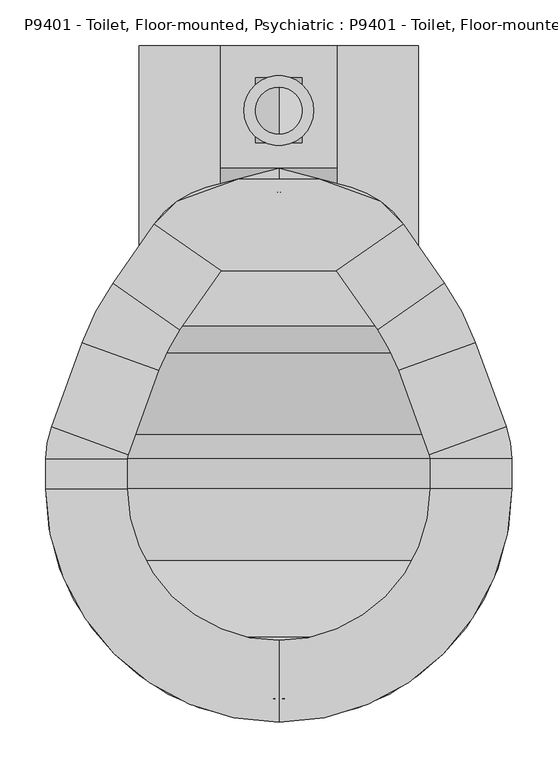
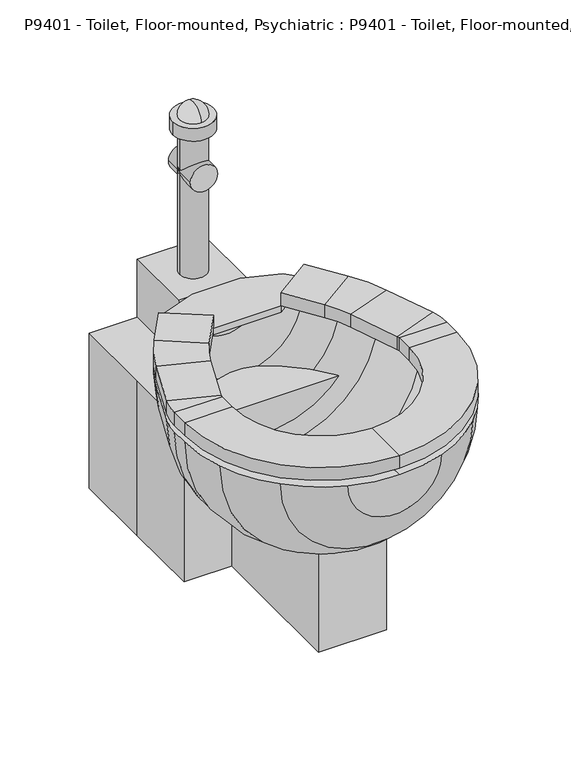
"""IFC4 building model written with IfcOpenShell, lengths in millimetres: proxy geometry, P9401 - Toilet, Floor-mounted, Psychiatric : P9401 - Toilet, Floor-mounted, Psychiatric."""

from ifc_helpers import new_model, si_unit, point, frame, frame_2d, origin, origin_with_axes, place, context, project, spatial, polyline, circle_curve, ellipse_curve, trimmed, segment, composite_curve, outline, extrude, source, transform, mapped, element, save
from ifc_brep_helpers import plane_surface, cylinder_surface, revolved_surface, advanced_brep


def p9401_toilet_floor_mounted_psychiatric_p9401_toilet_floor_37275636(model_context):
    return source(origin(), model_context, "Body", "SolidModel", [
        extrude(outline(polyline([(-152.4, 152.4), (152.4, 152.4), (152.4, -152.4), (-152.4, -152.4), (-152.4, 0.0), (-152.4, 152.4)])), origin_with_axes(), (0.0, 0.0, 1.0), 304.8),
        advanced_brep(
        [(-86.8731164, -568.8819257, 419.1), (0.0, -584.2, 419.1), (0.0, -558.8, 419.1), (-78.1858048, -545.0137331, 419.1), (-161.6446102, -491.8446102, 419.1), (-214.8137331, -408.3858048, 419.1), (-228.6, -330.2, 419.1), (-228.6, -297.3148212, 419.1), (-224.0045777, -271.2528863, 419.1), (-191.7324129, -182.5858422, 419.1), (-158.0533758, -117.8890139, 419.1), (-120.1697426, -63.7855786, 419.1), (-63.2399099, -23.9228806, 419.1), (0.0, -6.9777978, 419.1), (0.0, 19.3182171, 419.1), (-78.7437471, -1.7811063, 419.1), (-135.6735798, -41.6438043, 419.1), (-180.7778621, -106.0593951, 419.1), (-214.4568992, -170.7562234, 419.1), (-247.8727703, -262.5655747, 419.1), (-254.0, -297.3148212, 419.1), (-254.0, -330.2, 419.1), (-238.6819257, -417.0731164, 419.1), (-179.6051224, -509.8051224, 419.1), (86.8731164, -568.8819257, 419.1), (179.6051224, -509.8051224, 419.1), (238.6819257, -417.0731164, 419.1), (254.0, -330.2, 419.1), (254.0, -297.3148212, 419.1), (247.8727703, -262.5655747, 419.1), (214.4568992, -170.7562234, 419.1), (180.7778621, -106.0593951, 419.1), (135.6735798, -41.6438043, 419.1), (78.7437471, -1.7811063, 419.1), (63.2399099, -23.9228806, 419.1), (120.1697426, -63.7855786, 419.1), (158.0533758, -117.8890139, 419.1), (191.7324129, -182.5858422, 419.1), (224.0045777, -271.2528863, 419.1), (228.6, -297.3148212, 419.1), (228.6, -330.2, 419.1), (214.8137331, -408.3858048, 419.1), (161.6446102, -491.8446102, 419.1), (78.1858048, -545.0137331, 419.1)],
        [
            (0, 1, circle_curve(frame((0.0, -330.2, 419.1), z_axis=(0.0, 0.0, 1.0), x_axis=(0.0, -1.0, 0.0)), 254.0)),
            (1, 2),
            (2, 3, circle_curve(frame((0.0, -330.2, 419.1), z_axis=(0.0, 0.0, -1.0), x_axis=(0.0, -1.0, 0.0)), 228.6)),
            (3, 4, circle_curve(frame((0.0, -330.2, 419.1), z_axis=(0.0, 0.0, -1.0), x_axis=(0.0, -1.0, 0.0)), 228.6)),
            (4, 5, circle_curve(frame((0.0, -330.2, 419.1), z_axis=(0.0, 0.0, -1.0), x_axis=(0.0, -1.0, 0.0)), 228.6)),
            (5, 6, circle_curve(frame((0.0, -330.2, 419.1), z_axis=(0.0, 0.0, -1.0), x_axis=(0.0, -1.0, 0.0)), 228.6)),
            (6, 7),
            (7, 8, circle_curve(frame((-152.4, -297.3148212, 419.1), z_axis=(0.0, 0.0, -1.0), x_axis=(0.0, -1.0, 0.0)), 76.2)),
            (8, 9),
            (9, 10, circle_curve(frame((70.8177054, -278.1462703, 419.1), z_axis=(0.0, 0.0, -1.0), x_axis=(0.0, -1.0, 0.0)), 279.4)),
            (10, 11),
            (11, 12, circle_curve(frame((-36.9438949, -122.0609446, 419.1), z_axis=(0.0, 0.0, -1.0), x_axis=(0.0, -1.0, 0.0)), 101.6)),
            (12, 13),
            (13, 14),
            (14, 15),
            (15, 16, circle_curve(frame((-52.4477321, -99.9191703, 419.1), z_axis=(0.0, 0.0, 1.0), x_axis=(0.0, -1.0, 0.0)), 101.6)),
            (16, 17),
            (17, 18, circle_curve(frame((48.0932191, -266.3166514, 419.1), z_axis=(0.0, 0.0, 1.0), x_axis=(0.0, -1.0, 0.0)), 279.4)),
            (18, 19),
            (19, 20, circle_curve(frame((-152.4, -297.3148212, 419.1), z_axis=(0.0, 0.0, 1.0), x_axis=(0.0, -1.0, 0.0)), 101.6)),
            (20, 21),
            (21, 22, circle_curve(frame((0.0, -330.2, 419.1), z_axis=(0.0, 0.0, 1.0), x_axis=(0.0, -1.0, 0.0)), 254.0)),
            (22, 23, circle_curve(frame((0.0, -330.2, 419.1), z_axis=(0.0, 0.0, 1.0), x_axis=(0.0, -1.0, 0.0)), 254.0)),
            (23, 0, circle_curve(frame((0.0, -330.2, 419.1), z_axis=(0.0, 0.0, 1.0), x_axis=(0.0, -1.0, 0.0)), 254.0)),
            (24, 25, circle_curve(frame((0.0, -330.2, 419.1), z_axis=(0.0, 0.0, 1.0), x_axis=(0.0, -1.0, 0.0)), 254.0)),
            (25, 26, circle_curve(frame((0.0, -330.2, 419.1), z_axis=(0.0, 0.0, 1.0), x_axis=(0.0, -1.0, 0.0)), 254.0)),
            (26, 27, circle_curve(frame((0.0, -330.2, 419.1), z_axis=(0.0, 0.0, 1.0), x_axis=(0.0, -1.0, 0.0)), 254.0)),
            (27, 28),
            (28, 29, circle_curve(frame((152.4, -297.3148212, 419.1), z_axis=(0.0, 0.0, 1.0), x_axis=(0.0, -1.0, 0.0)), 101.6)),
            (29, 30),
            (30, 31, circle_curve(frame((-48.0932191, -266.3166514, 419.1), z_axis=(0.0, 0.0, 1.0), x_axis=(0.0, -1.0, 0.0)), 279.4)),
            (31, 32),
            (32, 33, circle_curve(frame((52.4477321, -99.9191703, 419.1), z_axis=(0.0, 0.0, 1.0), x_axis=(0.0, -1.0, 0.0)), 101.6)),
            (33, 14),
            (13, 34),
            (34, 35, circle_curve(frame((36.9438949, -122.0609446, 419.1), z_axis=(0.0, 0.0, -1.0), x_axis=(0.0, -1.0, 0.0)), 101.6)),
            (35, 36),
            (36, 37, circle_curve(frame((-70.8177054, -278.1462703, 419.1), z_axis=(0.0, 0.0, -1.0), x_axis=(0.0, -1.0, 0.0)), 279.4)),
            (37, 38),
            (38, 39, circle_curve(frame((152.4, -297.3148212, 419.1), z_axis=(0.0, 0.0, -1.0), x_axis=(0.0, -1.0, 0.0)), 76.2)),
            (39, 40),
            (40, 41, circle_curve(frame((0.0, -330.2, 419.1), z_axis=(0.0, 0.0, -1.0), x_axis=(0.0, -1.0, 0.0)), 228.6)),
            (41, 42, circle_curve(frame((0.0, -330.2, 419.1), z_axis=(0.0, 0.0, -1.0), x_axis=(0.0, -1.0, 0.0)), 228.6)),
            (42, 43, circle_curve(frame((0.0, -330.2, 419.1), z_axis=(0.0, 0.0, -1.0), x_axis=(0.0, -1.0, 0.0)), 228.6)),
            (43, 2, circle_curve(frame((0.0, -330.2, 419.1), z_axis=(0.0, 0.0, -1.0), x_axis=(0.0, -1.0, 0.0)), 228.6)),
            (1, 24, circle_curve(frame((0.0, -330.2, 419.1), z_axis=(0.0, 0.0, 1.0), x_axis=(0.0, -1.0, 0.0)), 254.0)),
            (0, 24, circle_curve(frame((0.0, -568.8819257, 419.1), z_axis=(0.0, -1.0, 0.0), x_axis=(-1.0, 0.0, 0.0)), 86.8731164)),
            (43, 3, circle_curve(frame((0.0, -545.0137331, 419.1), z_axis=(0.0, 1.0, 0.0), x_axis=(-1.0, 0.0, 0.0)), 78.1858048)),
            (42, 4, circle_curve(frame((0.0, -491.8446102, 419.1), z_axis=(0.0, 1.0, 0.0), x_axis=(-1.0, 0.0, 0.0)), 161.6446102)),
            (41, 5, circle_curve(frame((0.0, -408.3858048, 419.1), z_axis=(0.0, 1.0, 0.0), x_axis=(-1.0, 0.0, 0.0)), 214.8137331)),
            (40, 6, circle_curve(frame((0.0, -330.2, 419.1), z_axis=(0.0, 1.0, 0.0), x_axis=(-1.0, 0.0, 0.0)), 228.6)),
            (39, 7, circle_curve(frame((0.0, -297.3148212, 419.1), z_axis=(0.0, 1.0, 0.0), x_axis=(-1.0, 0.0, 0.0)), 228.6)),
            (38, 8, circle_curve(frame((0.0, -271.2528863, 419.1), z_axis=(0.0, 1.0, 0.0), x_axis=(-1.0, 0.0, 0.0)), 224.0045777)),
            (37, 9, circle_curve(frame((0.0, -182.5858422, 419.1), z_axis=(0.0, 1.0, 0.0), x_axis=(-1.0, 0.0, 0.0)), 191.7324129)),
            (36, 10, circle_curve(frame((0.0, -117.8890139, 419.1), z_axis=(0.0, 1.0, 0.0), x_axis=(-1.0, 0.0, 0.0)), 158.0533758)),
            (35, 11, circle_curve(frame((0.0, -63.7855786, 419.1), z_axis=(0.0, 1.0, 0.0), x_axis=(-1.0, 0.0, 0.0)), 120.1697426)),
            (34, 12, circle_curve(frame((0.0, -23.9228806, 419.1), z_axis=(0.0, 1.0, 0.0), x_axis=(-1.0, 0.0, 0.0)), 63.2399099)),
            (33, 15, circle_curve(frame((0.0, -1.7811063, 419.1), z_axis=(0.0, 1.0, 0.0), x_axis=(-1.0, 0.0, 0.0)), 78.7437471)),
            (32, 16, circle_curve(frame((0.0, -41.6438043, 419.1), z_axis=(0.0, 1.0, 0.0), x_axis=(-1.0, 0.0, 0.0)), 135.6735798)),
            (31, 17, circle_curve(frame((0.0, -106.0593951, 419.1), z_axis=(0.0, 1.0, 0.0), x_axis=(-1.0, 0.0, 0.0)), 180.7778621)),
            (30, 18, circle_curve(frame((0.0, -170.7562234, 419.1), z_axis=(0.0, 1.0, 0.0), x_axis=(-1.0, 0.0, 0.0)), 214.4568992)),
            (29, 19, circle_curve(frame((0.0, -262.5655747, 419.1), z_axis=(0.0, 1.0, 0.0), x_axis=(-1.0, 0.0, 0.0)), 247.8727703)),
            (28, 20, circle_curve(frame((0.0, -297.3148212, 419.1), z_axis=(0.0, 1.0, 0.0), x_axis=(-1.0, 0.0, 0.0)), 254.0)),
            (27, 21, circle_curve(frame((0.0, -330.2, 419.1), z_axis=(0.0, 1.0, 0.0), x_axis=(-1.0, 0.0, 0.0)), 254.0)),
            (26, 22, circle_curve(frame((0.0, -417.0731164, 419.1), z_axis=(0.0, 1.0, 0.0), x_axis=(-1.0, 0.0, 0.0)), 238.6819257)),
            (25, 23, circle_curve(frame((0.0, -509.8051224, 419.1), z_axis=(0.0, 1.0, 0.0), x_axis=(-1.0, 0.0, 0.0)), 179.6051224)),
        ],
        [
            plane_surface(frame((0.0, -689.4102448, 419.1), z_axis=(0.0, 0.0, 1.0), x_axis=(-1.0, 0.0, 0.0))),
            plane_surface(frame((0.0, -689.4102448, 419.1), z_axis=(0.0, 0.0, 1.0), x_axis=(1.0, 0.0, 0.0))),
            revolved_surface(trimmed(ellipse_curve(frame((0.0, -330.2, 419.1), z_axis=(0.0, 0.0, 1.0), x_axis=(0.0, -1.0, 0.0)), 254.0, 254.0), [point((-86.8731164, -568.8819257, 419.1))], [point((0.0, -584.2, 419.1))], True, "CARTESIAN"), (0.0, -689.4102448, 419.1), (0.0, -1.0, 0.0)),
            revolved_surface(trimmed(ellipse_curve(frame((0.0, -330.2, 419.1), z_axis=(0.0, 0.0, -1.0), x_axis=(0.0, -1.0, 0.0)), 228.6, 228.6), [point((0.0, -558.8, 419.1))], [point((-78.1858048, -545.0137331, 419.1))], True, "CARTESIAN"), (0.0, -689.4102448, 419.1), (0.0, -1.0, 0.0)),
            revolved_surface(trimmed(ellipse_curve(frame((0.0, -330.2, 419.1), z_axis=(0.0, 0.0, -1.0), x_axis=(0.0, -1.0, 0.0)), 228.6, 228.6), [point((-78.1858048, -545.0137331, 419.1))], [point((-161.6446102, -491.8446102, 419.1))], True, "CARTESIAN"), (0.0, -689.4102448, 419.1), (0.0, -1.0, 0.0)),
            revolved_surface(trimmed(ellipse_curve(frame((0.0, -330.2, 419.1), z_axis=(0.0, 0.0, -1.0), x_axis=(0.0, -1.0, 0.0)), 228.6, 228.6), [point((-161.6446102, -491.8446102, 419.1))], [point((-214.8137331, -408.3858048, 419.1))], True, "CARTESIAN"), (0.0, -689.4102448, 419.1), (0.0, -1.0, 0.0)),
            revolved_surface(trimmed(ellipse_curve(frame((0.0, -330.2, 419.1), z_axis=(0.0, 0.0, -1.0), x_axis=(0.0, -1.0, 0.0)), 228.6, 228.6), [point((-214.8137331, -408.3858048, 419.1))], [point((-228.6, -330.2, 419.1))], True, "CARTESIAN"), (0.0, -689.4102448, 419.1), (0.0, -1.0, 0.0)),
            revolved_surface(polyline([(-228.6, -330.2, 419.1), (-228.6, -297.3148212, 419.1)]), (0.0, -689.4102448, 419.1), (0.0, -1.0, 0.0)),
            revolved_surface(trimmed(ellipse_curve(frame((-152.4, -297.3148212, 419.1), z_axis=(0.0, 0.0, -1.0), x_axis=(0.0, -1.0, 0.0)), 76.2, 76.2), [point((-228.6, -297.3148212, 419.1))], [point((-224.0045777, -271.2528863, 419.1))], True, "CARTESIAN"), (0.0, -689.4102448, 419.1), (0.0, -1.0, 0.0)),
            revolved_surface(polyline([(-224.0045777, -271.2528863, 419.1), (-191.7324129, -182.5858422, 419.1)]), (0.0, -689.4102448, 419.1), (0.0, -1.0, 0.0)),
            revolved_surface(trimmed(ellipse_curve(frame((70.8177054, -278.1462703, 419.1), z_axis=(0.0, 0.0, -1.0), x_axis=(0.0, -1.0, 0.0)), 279.4, 279.4), [point((-191.7324129, -182.5858422, 419.1))], [point((-158.0533758, -117.8890139, 419.1))], True, "CARTESIAN"), (0.0, -689.4102448, 419.1), (0.0, -1.0, 0.0)),
            revolved_surface(polyline([(-158.0533758, -117.8890139, 419.1), (-120.1697426, -63.7855786, 419.1)]), (0.0, -689.4102448, 419.1), (0.0, -1.0, 0.0)),
            revolved_surface(trimmed(ellipse_curve(frame((-36.9438949, -122.0609446, 419.1), z_axis=(0.0, 0.0, -1.0), x_axis=(0.0, -1.0, 0.0)), 101.6, 101.6), [point((-120.1697426, -63.7855786, 419.1))], [point((-63.2399099, -23.9228806, 419.1))], True, "CARTESIAN"), (0.0, -689.4102448, 419.1), (0.0, -1.0, 0.0)),
            revolved_surface(polyline([(-63.2399099, -23.9228806, 419.1), (0.0, -6.9777978, 419.1)]), (0.0, -689.4102448, 419.1), (0.0, -1.0, 0.0)),
            revolved_surface(polyline([(0.0, 19.3182171, 419.1), (-78.7437471, -1.7811063, 419.1)]), (0.0, -689.4102448, 419.1), (0.0, -1.0, 0.0)),
            revolved_surface(trimmed(ellipse_curve(frame((-52.4477321, -99.9191703, 419.1), z_axis=(0.0, 0.0, 1.0), x_axis=(0.0, -1.0, 0.0)), 101.6, 101.6), [point((-78.7437471, -1.7811063, 419.1))], [point((-135.6735798, -41.6438043, 419.1))], True, "CARTESIAN"), (0.0, -689.4102448, 419.1), (0.0, -1.0, 0.0)),
            revolved_surface(polyline([(-135.6735798, -41.6438043, 419.1), (-180.7778621, -106.0593951, 419.1)]), (0.0, -689.4102448, 419.1), (0.0, -1.0, 0.0)),
            revolved_surface(trimmed(ellipse_curve(frame((48.0932191, -266.3166514, 419.1), z_axis=(0.0, 0.0, 1.0), x_axis=(0.0, -1.0, 0.0)), 279.4, 279.4), [point((-180.7778621, -106.0593951, 419.1))], [point((-214.4568992, -170.7562234, 419.1))], True, "CARTESIAN"), (0.0, -689.4102448, 419.1), (0.0, -1.0, 0.0)),
            revolved_surface(polyline([(-214.4568992, -170.7562234, 419.1), (-247.8727703, -262.5655747, 419.1)]), (0.0, -689.4102448, 419.1), (0.0, -1.0, 0.0)),
            revolved_surface(trimmed(ellipse_curve(frame((-152.4, -297.3148212, 419.1), z_axis=(0.0, 0.0, 1.0), x_axis=(0.0, -1.0, 0.0)), 101.6, 101.6), [point((-247.8727703, -262.5655747, 419.1))], [point((-254.0, -297.3148212, 419.1))], True, "CARTESIAN"), (0.0, -689.4102448, 419.1), (0.0, -1.0, 0.0)),
            cylinder_surface(frame((0.0, -689.4102448, 419.1), z_axis=(0.0, -1.0, 0.0), x_axis=(-1.0, 0.0, 0.0)), 254.0),
            revolved_surface(trimmed(ellipse_curve(frame((0.0, -330.2, 419.1), z_axis=(0.0, 0.0, 1.0), x_axis=(0.0, -1.0, 0.0)), 254.0, 254.0), [point((-254.0, -330.2, 419.1))], [point((-238.6819257, -417.0731164, 419.1))], True, "CARTESIAN"), (0.0, -689.4102448, 419.1), (0.0, -1.0, 0.0)),
            revolved_surface(trimmed(ellipse_curve(frame((0.0, -330.2, 419.1), z_axis=(0.0, 0.0, 1.0), x_axis=(0.0, -1.0, 0.0)), 254.0, 254.0), [point((-238.6819257, -417.0731164, 419.1))], [point((-179.6051224, -509.8051224, 419.1))], True, "CARTESIAN"), (0.0, -689.4102448, 419.1), (0.0, -1.0, 0.0)),
            revolved_surface(trimmed(ellipse_curve(frame((0.0, -330.2, 419.1), z_axis=(0.0, 0.0, 1.0), x_axis=(0.0, -1.0, 0.0)), 254.0, 254.0), [point((-179.6051224, -509.8051224, 419.1))], [point((-86.8731164, -568.8819257, 419.1))], True, "CARTESIAN"), (0.0, -689.4102448, 419.1), (0.0, -1.0, 0.0)),
        ],
        [
            (0, [[1, 2, 3, 4, 5, 6, 7, 8, 9, 10, 11, 12, 13, 14, 15, 16, 17, 18, 19, 20, 21, 22, 23, 24]]),
            (1, [[25, 26, 27, 28, 29, 30, 31, 32, 33, 34, -14, 35, 36, 37, 38, 39, 40, 41, 42, 43, 44, 45, -2, 46]]),
            (2, [[-1, 47, -46]]),
            (3, [[48, -3, -45]]),
            (4, [[49, -4, -48, -44]]),
            (5, [[50, -5, -49, -43]]),
            (6, [[51, -6, -50, -42]]),
            (7, [[52, -7, -51, -41]]),
            (8, [[53, -8, -52, -40]]),
            (9, [[54, -9, -53, -39]]),
            (10, [[55, -10, -54, -38]]),
            (11, [[56, -11, -55, -37]]),
            (12, [[57, -12, -56, -36]]),
            (13, [[-13, -57, -35]]),
            (14, [[58, -15, -34]]),
            (15, [[59, -16, -58, -33]]),
            (16, [[60, -17, -59, -32]]),
            (17, [[61, -18, -60, -31]]),
            (18, [[62, -19, -61, -30]]),
            (19, [[63, -20, -62, -29]]),
            (20, [[64, -21, -63, -28]]),
            (21, [[65, -22, -64, -27]]),
            (22, [[66, -23, -65, -26]]),
            (23, [[-47, -24, -66, -25]]),
        ],
    ),
        extrude(outline(polyline([(-62.8509631, -92.6347495), (-135.6735798, -41.6438043), (-110.7230981, -16.6933226), (-44.6607552, 7.3514039), (44.6607552, 7.3514039), (110.7230981, -16.6933226), (135.6735798, -41.6438043), (62.8509631, -92.6347495), (-62.8509631, -92.6347495)])), frame((0.0, 0.0, 419.1), z_axis=(0.0, 0.0, 1.0), x_axis=(1.0, 0.0, 0.0)), (0.0, 0.0, 1.0), 12.7),
        advanced_brep(
        [(-62.8509631, -92.6347495, 431.8), (-135.6735798, -41.6438043, 431.8), (-135.6735798, -41.6438043, 457.2), (-62.8509631, -92.6347495, 457.2), (-107.9552454, -157.0503403, 431.8), (-180.7778621, -106.0593951, 431.8), (-180.7778621, -106.0593951, 457.2), (-107.9552454, -157.0503403, 457.2), (-214.4568992, -170.7562234, 431.8), (-130.9182252, -201.1618141, 431.8), (-214.4568992, -170.7562234, 457.2), (-130.9182252, -201.1618141, 457.2), (-164.3340963, -292.9711654, 431.8), (-247.8727703, -262.5655747, 431.8), (-247.8727703, -262.5655747, 457.2), (-164.3340963, -292.9711654, 457.2), (-254.0, -297.3148212, 431.8), (-165.1, -297.3148212, 431.8), (-254.0, -297.3148212, 457.2), (-165.1, -297.3148212, 457.2), (-165.1, -330.2, 431.8), (-254.0, -330.2, 431.8), (-254.0, -330.2, 457.2), (-165.1, -330.2, 457.2), (0.0, -584.2, 431.8), (0.0, -495.3, 431.8), (0.0, -584.2, 457.2), (0.0, -495.3, 457.2), (254.0, -330.2, 431.8), (165.1, -330.2, 431.8), (254.0, -330.2, 457.2), (165.1, -330.2, 457.2), (165.1, -297.3148212, 431.8), (254.0, -297.3148212, 431.8), (254.0, -297.3148212, 457.2), (165.1, -297.3148212, 457.2), (247.8727703, -262.5655747, 431.8), (164.3340963, -292.9711654, 431.8), (247.8727703, -262.5655747, 457.2), (164.3340963, -292.9711654, 457.2), (130.9182252, -201.1618141, 431.8), (214.4568992, -170.7562234, 431.8), (214.4568992, -170.7562234, 457.2), (130.9182252, -201.1618141, 457.2), (180.7778621, -106.0593951, 431.8), (107.9552454, -157.0503403, 431.8), (180.7778621, -106.0593951, 457.2), (107.9552454, -157.0503403, 457.2), (62.8509631, -92.6347495, 431.8), (62.8509631, -92.6347495, 457.2), (135.6735798, -41.6438043, 457.2), (135.6735798, -41.6438043, 431.8)],
        [
            (0, 1),
            (1, 2),
            (2, 3),
            (3, 0),
            (0, 4),
            (4, 5),
            (5, 1),
            (5, 6),
            (6, 2),
            (6, 7),
            (7, 3),
            (7, 4),
            (8, 5, circle_curve(frame((48.0932191, -266.3166514, 431.8), z_axis=(0.0, 0.0, -1.0), x_axis=(-0.81915204428899, 0.5735764363510486, 0.0)), 279.4)),
            (4, 9, circle_curve(frame((48.0932191, -266.3166514, 431.8), z_axis=(0.0, 0.0, 1.0), x_axis=(-0.81915204428899, 0.5735764363510486, 0.0)), 190.5)),
            (9, 8),
            (10, 6, circle_curve(frame((48.0932191, -266.3166514, 457.2), z_axis=(0.0, 0.0, -1.0), x_axis=(-0.81915204428899, 0.5735764363510486, 0.0)), 279.4)),
            (8, 10),
            (11, 7, circle_curve(frame((48.0932191, -266.3166514, 457.2), z_axis=(0.0, 0.0, -1.0), x_axis=(-0.81915204428899, 0.5735764363510486, 0.0)), 190.5)),
            (10, 11),
            (11, 9),
            (9, 12),
            (12, 13),
            (13, 8),
            (13, 14),
            (14, 10),
            (14, 15),
            (15, 11),
            (15, 12),
            (16, 13, circle_curve(frame((-152.4, -297.3148212, 431.8), z_axis=(0.0, 0.0, -1.0), x_axis=(-0.9396926207859063, 0.34202014332567443, 0.0)), 101.6)),
            (12, 17, circle_curve(frame((-152.4, -297.3148212, 431.8), z_axis=(0.0, 0.0, 1.0), x_axis=(-0.9396926207859063, 0.34202014332567443, 0.0)), 12.7)),
            (17, 16),
            (18, 14, circle_curve(frame((-152.4, -297.3148212, 457.2), z_axis=(0.0, 0.0, -1.0), x_axis=(-0.9396926207859063, 0.34202014332567443, 0.0)), 101.6)),
            (16, 18),
            (19, 15, circle_curve(frame((-152.4, -297.3148212, 457.2), z_axis=(0.0, 0.0, -1.0), x_axis=(-0.9396926207859063, 0.34202014332567443, 0.0)), 12.7)),
            (18, 19),
            (19, 17),
            (17, 20),
            (20, 21),
            (21, 16),
            (21, 22),
            (22, 18),
            (22, 23),
            (23, 19),
            (23, 20),
            (24, 21, circle_curve(frame((0.0, -330.2, 431.8), z_axis=(0.0, 0.0, -1.0), x_axis=(-1.0, 0.0, 0.0)), 254.0)),
            (20, 25, circle_curve(frame((0.0, -330.2, 431.8), z_axis=(0.0, 0.0, 1.0), x_axis=(-1.0, 0.0, 0.0)), 165.1)),
            (25, 24),
            (26, 22, circle_curve(frame((0.0, -330.2, 457.2), z_axis=(0.0, 0.0, -1.0), x_axis=(-1.0, 0.0, 0.0)), 254.0)),
            (24, 26),
            (27, 23, circle_curve(frame((0.0, -330.2, 457.2), z_axis=(0.0, 0.0, -1.0), x_axis=(-1.0, 0.0, 0.0)), 165.1)),
            (26, 27),
            (27, 25),
            (28, 24, circle_curve(frame((0.0, -330.2, 431.8), z_axis=(0.0, 0.0, -1.0), x_axis=(0.0, -1.0, 0.0)), 254.0)),
            (25, 29, circle_curve(frame((0.0, -330.2, 431.8), z_axis=(0.0, 0.0, 1.0), x_axis=(0.0, -1.0, 0.0)), 165.1)),
            (29, 28),
            (30, 26, circle_curve(frame((0.0, -330.2, 457.2), z_axis=(0.0, 0.0, -1.0), x_axis=(0.0, -1.0, 0.0)), 254.0)),
            (28, 30),
            (31, 27, circle_curve(frame((0.0, -330.2, 457.2), z_axis=(0.0, 0.0, -1.0), x_axis=(0.0, -1.0, 0.0)), 165.1)),
            (30, 31),
            (31, 29),
            (29, 32),
            (32, 33),
            (33, 28),
            (33, 34),
            (34, 30),
            (34, 35),
            (35, 31),
            (35, 32),
            (36, 33, circle_curve(frame((152.4, -297.3148212, 431.8), z_axis=(0.0, 0.0, -1.0), x_axis=(1.0, 0.0, 0.0)), 101.6)),
            (32, 37, circle_curve(frame((152.4, -297.3148212, 431.8), z_axis=(0.0, 0.0, 1.0), x_axis=(1.0, 0.0, 0.0)), 12.7)),
            (37, 36),
            (38, 34, circle_curve(frame((152.4, -297.3148212, 457.2), z_axis=(0.0, 0.0, -1.0), x_axis=(1.0, 0.0, 0.0)), 101.6)),
            (36, 38),
            (39, 35, circle_curve(frame((152.4, -297.3148212, 457.2), z_axis=(0.0, 0.0, -1.0), x_axis=(1.0, 0.0, 0.0)), 12.7)),
            (38, 39),
            (39, 37),
            (37, 40),
            (40, 41),
            (41, 36),
            (41, 42),
            (42, 38),
            (42, 43),
            (43, 39),
            (43, 40),
            (44, 41, circle_curve(frame((-48.0932191, -266.3166514, 431.8), z_axis=(0.0, 0.0, -1.0), x_axis=(0.9396926207859088, 0.34202014332566766, 0.0)), 279.4)),
            (40, 45, circle_curve(frame((-48.0932191, -266.3166514, 431.8), z_axis=(0.0, 0.0, 1.0), x_axis=(0.9396926207859088, 0.34202014332566766, 0.0)), 190.5)),
            (45, 44),
            (46, 42, circle_curve(frame((-48.0932191, -266.3166514, 457.2), z_axis=(0.0, 0.0, -1.0), x_axis=(0.9396926207859088, 0.34202014332566766, 0.0)), 279.4)),
            (44, 46),
            (47, 43, circle_curve(frame((-48.0932191, -266.3166514, 457.2), z_axis=(0.0, 0.0, -1.0), x_axis=(0.9396926207859088, 0.34202014332566766, 0.0)), 190.5)),
            (46, 47),
            (47, 45),
            (48, 49),
            (49, 50),
            (50, 51),
            (51, 48),
            (45, 48),
            (51, 44),
            (50, 46),
            (49, 47),
        ],
        [
            plane_surface(frame((-135.6735798, -41.6438043, 322.3796816), z_axis=(0.5735764363510432, 0.8191520442889938, 0.0), x_axis=(0.8191520442889938, -0.5735764363510432, 0.0))),
            plane_surface(frame((-62.8509631, -92.6347495, 431.8), z_axis=(0.0, 0.0, -1.0000000000000002), x_axis=(-0.5735764363510432, -0.8191520442889939, 0.0))),
            plane_surface(frame((-135.6735798, -41.6438043, 431.8), z_axis=(-0.8191520442889939, 0.573576436351043, 0.0), x_axis=(-0.573576436351043, -0.8191520442889939, 0.0))),
            plane_surface(frame((-135.6735798, -41.6438043, 457.2), z_axis=(0.0, 0.0, 1.0), x_axis=(-0.5735764363510429, -0.819152044288994, 0.0))),
            plane_surface(frame((-62.8509631, -92.6347495, 457.2), z_axis=(0.8191520442889941, -0.5735764363510428, 0.0), x_axis=(-0.5735764363510428, -0.8191520442889941, 0.0))),
            plane_surface(frame((48.0932191, -266.3166514, 431.8), z_axis=(0.0, 0.0, -1.0), x_axis=(-0.81915204428899, 0.5735764363510486, 0.0))),
            cylinder_surface(frame((48.0932191, -266.3166514, 419.1), z_axis=(0.0, 0.0, 1.0), x_axis=(-0.81915204428899, 0.5735764363510486, 0.0)), 279.4),
            plane_surface(frame((48.0932191, -266.3166514, 457.2), z_axis=(0.0, 0.0, 1.0), x_axis=(-0.81915204428899, 0.5735764363510486, 0.0))),
            revolved_surface(polyline([(-107.95524533705259, -157.05034027512525, 457.2), (-107.95524533705259, -157.05034027512525, 431.8)]), (48.0932191, -266.3166514, 419.1), (0.0, 0.0, 1.0)),
            plane_surface(frame((-130.9182252, -201.1618141, 431.8), z_axis=(0.0, 0.0, -1.0000000000000002), x_axis=(-0.3420201433256682, -0.9396926207859086, 0.0))),
            plane_surface(frame((-214.4568992, -170.7562234, 431.8), z_axis=(-0.9396926207859086, 0.3420201433256684, 0.0), x_axis=(-0.3420201433256684, -0.9396926207859086, 0.0))),
            plane_surface(frame((-214.4568992, -170.7562234, 457.2), z_axis=(0.0, 0.0, 1.0), x_axis=(-0.3420201433256685, -0.9396926207859085, 0.0))),
            plane_surface(frame((-130.9182252, -201.1618141, 457.2), z_axis=(0.9396926207859085, -0.34202014332566844, 0.0), x_axis=(-0.34202014332566844, -0.9396926207859085, 0.0))),
            plane_surface(frame((-152.4, -297.3148212, 431.8), z_axis=(0.0, 0.0, -1.0), x_axis=(-0.9396926207859063, 0.34202014332567443, 0.0))),
            cylinder_surface(frame((-152.4, -297.3148212, 419.1), z_axis=(0.0, 0.0, 1.0), x_axis=(-0.9396926207859063, 0.34202014332567443, 0.0)), 101.6),
            plane_surface(frame((-152.4, -297.3148212, 457.2), z_axis=(0.0, 0.0, 1.0), x_axis=(-0.9396926207859063, 0.34202014332567443, 0.0))),
            revolved_surface(polyline([(-164.334096283981, -292.97116537976393, 457.2), (-164.334096283981, -292.97116537976393, 431.8)]), (-152.4, -297.3148212, 419.1), (0.0, 0.0, 1.0)),
            plane_surface(frame((-165.1, -297.3148212, 431.8), z_axis=(0.0, 0.0, -1.0), x_axis=(0.0, -1.0, 0.0))),
            plane_surface(frame((-254.0, -297.3148212, 431.8), z_axis=(-1.0, 0.0, 0.0), x_axis=(0.0, -1.0, 0.0))),
            plane_surface(frame((-254.0, -297.3148212, 457.2), z_axis=(0.0, 0.0, 1.0), x_axis=(0.0, -1.0, 0.0))),
            plane_surface(frame((-165.1, -297.3148212, 457.2), z_axis=(1.0, 0.0, 0.0), x_axis=(0.0, -1.0, 0.0))),
            plane_surface(frame((0.0, -330.2, 431.8), z_axis=(0.0, 0.0, -1.0), x_axis=(-1.0, 0.0, 0.0))),
            cylinder_surface(frame((0.0, -330.2, 419.1), z_axis=(0.0, 0.0, 1.0), x_axis=(-1.0, 0.0, 0.0)), 254.0),
            plane_surface(frame((0.0, -330.2, 457.2), z_axis=(0.0, 0.0, 1.0), x_axis=(-1.0, 0.0, 0.0))),
            revolved_surface(polyline([(-165.1, -330.2, 457.2), (-165.1, -330.2, 431.8)]), (0.0, -330.2, 419.1), (0.0, 0.0, 1.0)),
            plane_surface(frame((0.0, -330.2, 431.8), z_axis=(0.0, 0.0, -1.0), x_axis=(0.0, -1.0, 0.0))),
            cylinder_surface(frame((0.0, -330.2, 419.1), z_axis=(0.0, 0.0, 1.0), x_axis=(0.0, -1.0, 0.0)), 254.0),
            plane_surface(frame((0.0, -330.2, 457.2), z_axis=(0.0, 0.0, 1.0), x_axis=(0.0, -1.0, 0.0))),
            revolved_surface(polyline([(0.0, -495.29999999999995, 457.2), (0.0, -495.29999999999995, 431.8)]), (0.0, -330.2, 419.1), (0.0, 0.0, 1.0)),
            plane_surface(frame((165.1, -330.2, 431.8), z_axis=(0.0, 0.0, -1.0), x_axis=(0.0, 1.0, 0.0))),
            plane_surface(frame((254.0, -330.2, 431.8), z_axis=(1.0, 0.0, 0.0), x_axis=(0.0, 1.0, 0.0))),
            plane_surface(frame((254.0, -330.2, 457.2), z_axis=(0.0, 0.0, 1.0), x_axis=(0.0, 1.0, 0.0))),
            plane_surface(frame((165.1, -330.2, 457.2), z_axis=(-1.0, 0.0, 0.0), x_axis=(0.0, 1.0, 0.0))),
            plane_surface(frame((152.4, -297.3148212, 431.8), z_axis=(0.0, 0.0, -1.0), x_axis=(1.0, 0.0, 0.0))),
            cylinder_surface(frame((152.4, -297.3148212, 419.1), z_axis=(0.0, 0.0, 1.0), x_axis=(1.0, 0.0, 0.0)), 101.6),
            plane_surface(frame((152.4, -297.3148212, 457.2), z_axis=(0.0, 0.0, 1.0), x_axis=(1.0, 0.0, 0.0))),
            revolved_surface(polyline([(165.1, -297.3148212, 457.2), (165.1, -297.3148212, 431.8)]), (152.4, -297.3148212, 419.1), (0.0, 0.0, 1.0)),
            plane_surface(frame((164.3340963, -292.9711654, 431.8), z_axis=(0.0, 0.0, -1.0), x_axis=(-0.342020143325667, 0.939692620785909, 0.0))),
            plane_surface(frame((247.8727703, -262.5655747, 431.8), z_axis=(0.9396926207859088, 0.3420201433256676, 0.0), x_axis=(-0.3420201433256676, 0.9396926207859088, 0.0))),
            plane_surface(frame((247.8727703, -262.5655747, 457.2), z_axis=(0.0, 0.0, 1.0), x_axis=(-0.34202014332566755, 0.9396926207859089, 0.0))),
            plane_surface(frame((164.3340963, -292.9711654, 457.2), z_axis=(-0.9396926207859088, -0.34202014332566794, 0.0), x_axis=(-0.34202014332566794, 0.9396926207859088, 0.0))),
            plane_surface(frame((-48.0932191, -266.3166514, 431.8), z_axis=(0.0, 0.0, -1.0), x_axis=(0.9396926207859088, 0.34202014332566766, 0.0))),
            cylinder_surface(frame((-48.0932191, -266.3166514, 419.1), z_axis=(0.0, 0.0, 1.0), x_axis=(0.9396926207859088, 0.34202014332566766, 0.0)), 279.4),
            plane_surface(frame((-48.0932191, -266.3166514, 457.2), z_axis=(0.0, 0.0, 1.0), x_axis=(0.9396926207859088, 0.34202014332566766, 0.0))),
            revolved_surface(polyline([(130.91822515971563, -201.16181409646032, 457.2), (130.91822515971563, -201.16181409646032, 431.8)]), (-48.0932191, -266.3166514, 419.1), (0.0, 0.0, 1.0)),
            plane_surface(frame((135.6735798, -41.6438043, 515.8203184), z_axis=(-0.5735764363510469, 0.8191520442889911, 0.0), x_axis=(0.8191520442889911, 0.5735764363510469, 0.0))),
            plane_surface(frame((107.9552454, -157.0503403, 431.8), z_axis=(0.0, 0.0, -1.0), x_axis=(-0.5735764363510463, 0.8191520442889917, 0.0))),
            plane_surface(frame((180.7778621, -106.0593951, 431.8), z_axis=(0.8191520442889914, 0.5735764363510469, 0.0), x_axis=(-0.5735764363510469, 0.8191520442889914, 0.0))),
            plane_surface(frame((180.7778621, -106.0593951, 457.2), z_axis=(0.0, 0.0, 1.0), x_axis=(-0.5735764363510468, 0.8191520442889914, 0.0))),
            plane_surface(frame((107.9552454, -157.0503403, 457.2), z_axis=(-0.8191520442889914, -0.5735764363510468, 0.0), x_axis=(-0.5735764363510468, 0.8191520442889914, 0.0))),
        ],
        [
            (0, [[1, 2, 3, 4]]),
            (1, [[-1, 5, 6, 7]]),
            (2, [[-2, -7, 8, 9]]),
            (3, [[-3, -9, 10, 11]]),
            (4, [[-4, -11, 12, -5]]),
            (5, [[13, -6, 14, 15]]),
            (6, [[16, -8, -13, 17]]),
            (7, [[18, -10, -16, 19]]),
            (8, [[-14, -12, -18, 20]]),
            (9, [[-15, 21, 22, 23]]),
            (10, [[-17, -23, 24, 25]]),
            (11, [[-19, -25, 26, 27]]),
            (12, [[-20, -27, 28, -21]]),
            (13, [[29, -22, 30, 31]]),
            (14, [[32, -24, -29, 33]]),
            (15, [[34, -26, -32, 35]]),
            (16, [[-30, -28, -34, 36]]),
            (17, [[-31, 37, 38, 39]]),
            (18, [[-33, -39, 40, 41]]),
            (19, [[-35, -41, 42, 43]]),
            (20, [[-36, -43, 44, -37]]),
            (21, [[45, -38, 46, 47]]),
            (22, [[48, -40, -45, 49]]),
            (23, [[50, -42, -48, 51]]),
            (24, [[-46, -44, -50, 52]]),
            (25, [[53, -47, 54, 55]]),
            (26, [[56, -49, -53, 57]]),
            (27, [[58, -51, -56, 59]]),
            (28, [[-54, -52, -58, 60]]),
            (29, [[-55, 61, 62, 63]]),
            (30, [[-57, -63, 64, 65]]),
            (31, [[-59, -65, 66, 67]]),
            (32, [[-60, -67, 68, -61]]),
            (33, [[69, -62, 70, 71]]),
            (34, [[72, -64, -69, 73]]),
            (35, [[74, -66, -72, 75]]),
            (36, [[-70, -68, -74, 76]]),
            (37, [[-71, 77, 78, 79]]),
            (38, [[-73, -79, 80, 81]]),
            (39, [[-75, -81, 82, 83]]),
            (40, [[-76, -83, 84, -77]]),
            (41, [[85, -78, 86, 87]]),
            (42, [[88, -80, -85, 89]]),
            (43, [[90, -82, -88, 91]]),
            (44, [[-86, -84, -90, 92]]),
            (45, [[93, 94, 95, 96]]),
            (46, [[-87, 97, -96, 98]]),
            (47, [[-89, -98, -95, 99]]),
            (48, [[-91, -99, -94, 100]]),
            (49, [[-92, -100, -93, -97]]),
        ],
    ),
        advanced_brep(
        [(0.0, 107.4823088, 723.9), (0.0, 56.2471437, 723.9), (0.0, 81.8647263, 749.5175826), (0.0, 81.8647263, 723.9)],
        [
            (0, 1, circle_curve(frame((0.0, 81.8647263, 723.9), z_axis=(0.0, 0.0, 1.0), x_axis=(0.0, -1.0, 0.0)), 25.6175826)),
            (1, 2, circle_curve(frame((0.0, 81.8647263, 723.9), z_axis=(-1.0, 0.0, 0.0), x_axis=(0.0, 1.0, 0.0)), 25.6175826)),
            (2, 0, circle_curve(frame((0.0, 81.8647263, 723.9), z_axis=(-1.0, 0.0, 0.0), x_axis=(0.0, -1.0, 0.0)), 25.6175826)),
            (1, 0, circle_curve(frame((0.0, 81.8647263, 723.9), z_axis=(0.0, 0.0, 1.0), x_axis=(0.0, -1.0, 0.0)), 25.6175826)),
            (3, 1),
            (0, 3),
        ],
        [
            revolved_surface(trimmed(ellipse_curve(frame((0.0, 81.8647263, 723.9), z_axis=(1.0, 0.0, 0.0), x_axis=(0.0, 1.0, 0.0)), 25.6175826, 25.6175826), [point((0.0, 81.8647263, 749.5175826))], [point((0.0, 56.2471437, 723.9))], True, "CARTESIAN"), (0.0, 81.8647263, 788.5277273), (0.0, 0.0, -1.0)),
            plane_surface(frame((0.0, 81.8647263, 723.9), z_axis=(0.0, 0.0, -1.0), x_axis=(0.0, -1.0, 0.0))),
        ],
        [
            (0, [[1, 2, 3]]),
            (0, [[4, -3, -2]]),
            (1, [[5, -1, 6]]),
            (1, [[-6, -4, -5]]),
        ],
    ),
        extrude(outline(composite_curve([segment(trimmed(circle_curve(frame_2d((0.0, 81.8647263)), 38.1), [point((38.1, 81.8647263))], [point((-38.1, 81.8647263))], False, "CARTESIAN"), True, "CONTINUOUS"), segment(trimmed(circle_curve(frame_2d((0.0, 81.8647263)), 38.1), [point((-38.1, 81.8647263))], [point((38.1, 81.8647263))], False, "CARTESIAN"), True, "CONTINUOUS")], self_intersect=False)), frame((0.0, 0.0, 698.5), z_axis=(0.0, 0.0, 1.0), x_axis=(1.0, 0.0, 0.0)), (0.0, 0.0, 1.0), 25.4),
        extrude(outline(composite_curve([segment(trimmed(circle_curve(frame_2d((620.4113641, 0.0)), 25.4), [point((620.4113641, 25.4))], [point((620.4113641, -25.4))], False, "CARTESIAN"), True, "CONTINUOUS"), segment(trimmed(circle_curve(frame_2d((620.4113641, 0.0)), 25.4), [point((620.4113641, -25.4))], [point((620.4113641, 25.4))], False, "CARTESIAN"), True, "CONTINUOUS")], self_intersect=False)), frame((0.0, 46.83125, 0.0), z_axis=(0.0, 1.0, 0.0), x_axis=(0.0, 0.0, 1.0)), (0.0, 0.0, 1.0), 70.64375),
        extrude(outline(composite_curve([segment(trimmed(circle_curve(frame_2d((0.0, 81.8647263)), 25.4), [point((25.4, 81.8647263))], [point((-25.4, 81.8647263))], False, "CARTESIAN"), True, "CONTINUOUS"), segment(trimmed(circle_curve(frame_2d((0.0, 81.8647263)), 25.4), [point((-25.4, 81.8647263))], [point((25.4, 81.8647263))], False, "CARTESIAN"), True, "CONTINUOUS")], self_intersect=False)), frame((0.0, 0.0, 419.1), z_axis=(0.0, 0.0, 1.0), x_axis=(1.0, 0.0, 0.0)), (0.0, 0.0, 1.0), 279.4),
        extrude(outline(composite_curve([segment(polyline([(19.3182171, 419.1), (152.4, 419.1), (152.4, 0.0), (-432.2037941, 0.0), (-432.2037941, 203.2)]), True, "CONTINUOUS"), segment(trimmed(circle_curve(frame_2d((-316.6842801, 541.7033118)), 357.6719869), [point((-432.2037941, 203.2))], [point((19.3182171, 419.1))], True, "CARTESIAN"), True, "CONTINUOUS")], self_intersect=False)), frame((-63.5, 0.0, 0.0), z_axis=(1.0, 0.0, 0.0), x_axis=(0.0, 1.0, 0.0)), (0.0, 0.0, 1.0), 127.0),
    ])


if __name__ == "__main__":
    model = new_model("IFC4")
    model_context = context("Model", 3, world=origin())
    ifc_project = project(units=[si_unit("LENGTHUNIT", "METRE", prefix="MILLI")], contexts=[model_context])
    site = spatial("IfcSite", under=ifc_project)
    building = spatial("IfcBuilding", under=site)
    placement = place(None, origin())
    p9401_toilet_floor_mounted_psychiatric_p9401_toilet_floor_shape = p9401_toilet_floor_mounted_psychiatric_p9401_toilet_floor_37275636(model_context)
    element("IfcBuildingElementProxy", 1, Name="P9401 - Toilet, Floor-mounted, Psychiatric : P9401 - Toilet, Floor-mounted, Psychiatric", ObjectType="P9401 - Toilet, Floor-mounted, Psychiatric : P9401 - Toilet, Floor-mounted, Psychiatric", at=placement, inside=building, context=model_context, shape_type="MappedRepresentation", body=[
        mapped(p9401_toilet_floor_mounted_psychiatric_p9401_toilet_floor_shape, transform((0.0, 0.0, 0.0), x_axis=(1.0, 0.0, 0.0), y_axis=(0.0, 1.0, 0.0), z_axis=(0.0, 0.0, 1.0))),
    ])
    save(model, "model.ifc")
